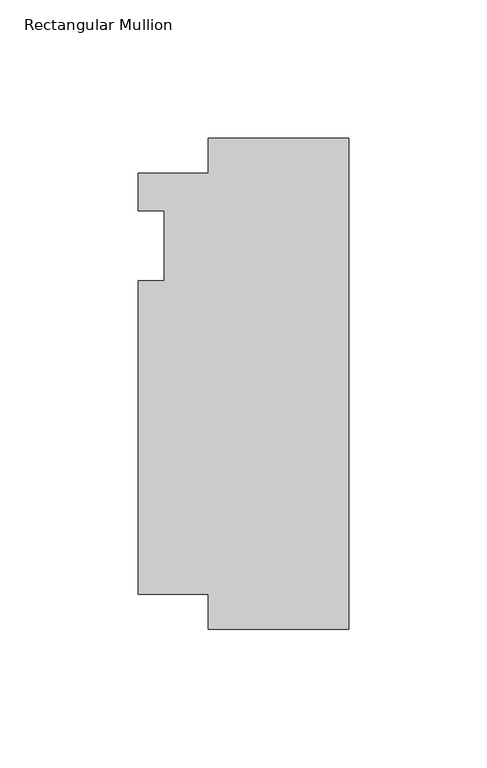
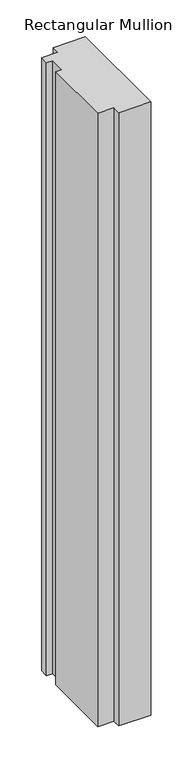
"""IFC4 building model written with IfcOpenShell, lengths in millimetres: member geometry, Rectangular Mullion."""

from ifc_helpers import new_model, si_unit, frame, origin, place, context, project, spatial, polyline, outline, extrude, source, transform, mapped, element, save


def rectangular_mullion_c9d2db16(model_context):
    return source(origin(), model_context, "Body", "SweptSolid", [
        extrude(outline(polyline([(-76.2309202, 26.19375), (-50.7746, 26.19375), (-50.7746, 38.89375), (0.0, 38.89375), (0.0, -138.9073823), (-50.7746, -138.9073823), (-50.7746, -126.20625), (-76.2309202, -126.20625), (-76.2309202, -12.7), (-66.7059202, -12.7), (-66.7059202, 12.7), (-76.2309202, 12.7), (-76.2309202, 26.19375)])), frame((0.0, 0.0, -1016.0), z_axis=(0.0, 0.0, 1.0), x_axis=(1.0, 0.0, 0.0)), (0.0, 0.0, 1.0), 1016.0),
    ])


if __name__ == "__main__":
    model = new_model("IFC4")
    model_context = context("Model", 3, world=origin())
    ifc_project = project(units=[si_unit("LENGTHUNIT", "METRE", prefix="MILLI")], contexts=[model_context])
    site = spatial("IfcSite", under=ifc_project)
    building = spatial("IfcBuilding", under=site)
    placement = place(None, origin())
    rectangular_mullion_shape = rectangular_mullion_c9d2db16(model_context)
    element("IfcMember", 1, ObjectType="Rectangular Mullion", at=placement, inside=building, context=model_context, shape_type="MappedRepresentation", body=[
        mapped(rectangular_mullion_shape, transform((0.0, 0.0, 0.0), x_axis=(1.0, 0.0, 0.0), y_axis=(0.0, 1.0, 0.0), z_axis=(0.0, 0.0, 1.0))),
    ])
    save(model, "model.ifc")
